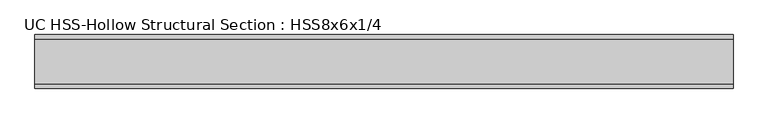
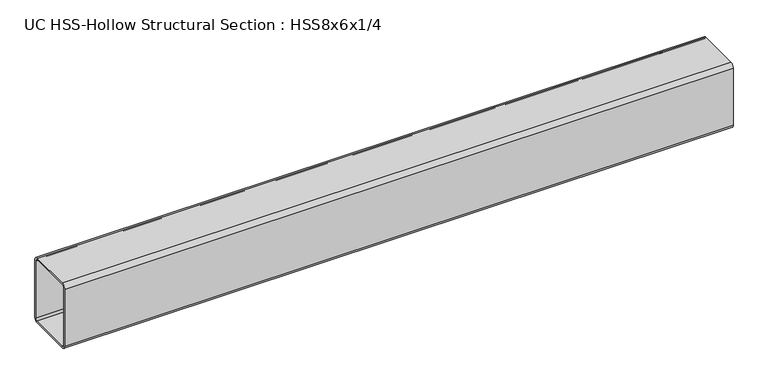
"""IFC4 building model written with IfcOpenShell, lengths in millimetres: beam geometry, UC HSS-Hollow Structural Section : HSS8x6x1/4."""

from ifc_helpers import new_model, si_unit, point, frame, frame_2d, origin, place, context, project, spatial, polyline, circle_curve, trimmed, segment, composite_curve, outline, extrude, source, transform, mapped, element, save


def uc_hss_hollow_structural_section_hss8x6x1_4_0155bd53(model_context):
    return source(origin(), model_context, "Body", "SweptSolid", [
        extrude(outline(composite_curve([segment(polyline([(76.2, 89.7636), (76.2, -89.7636)]), True, "CONTINUOUS"), segment(trimmed(circle_curve(frame_2d((64.3636, -89.7636)), 11.8364), [point((76.2, -89.7636))], [point((64.3636, -101.6))], False, "CARTESIAN"), True, "CONTINUOUS"), segment(polyline([(64.3636, -101.6), (-64.3636, -101.6)]), True, "CONTINUOUS"), segment(trimmed(circle_curve(frame_2d((-64.3636, -89.7636)), 11.8364), [point((-64.3636, -101.6))], [point((-76.2, -89.7636))], False, "CARTESIAN"), True, "CONTINUOUS"), segment(polyline([(-76.2, -89.7636), (-76.2, 89.7636)]), True, "CONTINUOUS"), segment(trimmed(circle_curve(frame_2d((-64.3636, 89.7636)), 11.8364), [point((-76.2, 89.7636))], [point((-64.3636, 101.6))], False, "CARTESIAN"), True, "CONTINUOUS"), segment(polyline([(-64.3636, 101.6), (64.3636, 101.6)]), True, "CONTINUOUS"), segment(trimmed(circle_curve(frame_2d((64.3636, 89.7636)), 11.8364), [point((64.3636, 101.6))], [point((76.2, 89.7636))], False, "CARTESIAN"), True, "CONTINUOUS")], self_intersect=False), holes=[composite_curve([segment(trimmed(circle_curve(frame_2d((-64.3636, 89.7636)), 5.9182), [point((-64.3636, 95.6818))], [point((-70.2818, 89.7636))], True, "CARTESIAN"), True, "CONTINUOUS"), segment(polyline([(-70.2818, 89.7636), (-70.2818, -89.7636)]), True, "CONTINUOUS"), segment(trimmed(circle_curve(frame_2d((-64.3636, -89.7636)), 5.9182), [point((-70.2818, -89.7636))], [point((-64.3636, -95.6818))], True, "CARTESIAN"), True, "CONTINUOUS"), segment(polyline([(-64.3636, -95.6818), (64.3636, -95.6818)]), True, "CONTINUOUS"), segment(trimmed(circle_curve(frame_2d((64.3636, -89.7636)), 5.9182), [point((64.3636, -95.6818))], [point((70.2818, -89.7636))], True, "CARTESIAN"), True, "CONTINUOUS"), segment(polyline([(70.2818, -89.7636), (70.2818, 89.7636)]), True, "CONTINUOUS"), segment(trimmed(circle_curve(frame_2d((64.3636, 89.7636)), 5.9182), [point((70.2818, 89.7636))], [point((64.3636, 95.6818))], True, "CARTESIAN"), True, "CONTINUOUS"), segment(polyline([(64.3636, 95.6818), (-64.3636, 95.6818)]), True, "CONTINUOUS")], self_intersect=False)]), frame((-681.1668213, 0.0, 0.0), z_axis=(1.0, 0.0, 0.0), x_axis=(0.0, 1.0, 0.0)), (0.0, 0.0, 1.0), 1984.699347),
    ])


if __name__ == "__main__":
    model = new_model("IFC4")
    model_context = context("Model", 3, world=origin())
    ifc_project = project(units=[si_unit("LENGTHUNIT", "METRE", prefix="MILLI")], contexts=[model_context])
    site = spatial("IfcSite", under=ifc_project)
    building = spatial("IfcBuilding", under=site)
    placement = place(None, origin())
    uc_hss_hollow_structural_section_hss8x6x1_4_shape = uc_hss_hollow_structural_section_hss8x6x1_4_0155bd53(model_context)
    element("IfcBeam", 1, ObjectType="UC HSS-Hollow Structural Section : HSS8x6x1/4", at=placement, inside=building, context=model_context, shape_type="MappedRepresentation", body=[
        mapped(uc_hss_hollow_structural_section_hss8x6x1_4_shape, transform((0.0, 0.0, 0.0), x_axis=(1.0, 0.0, 0.0), y_axis=(0.0, 1.0, 0.0), z_axis=(0.0, 0.0, 1.0))),
    ])
    save(model, "model.ifc")
